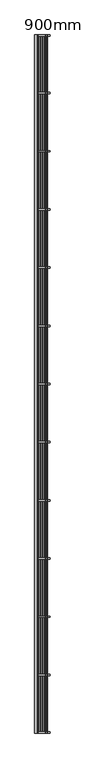
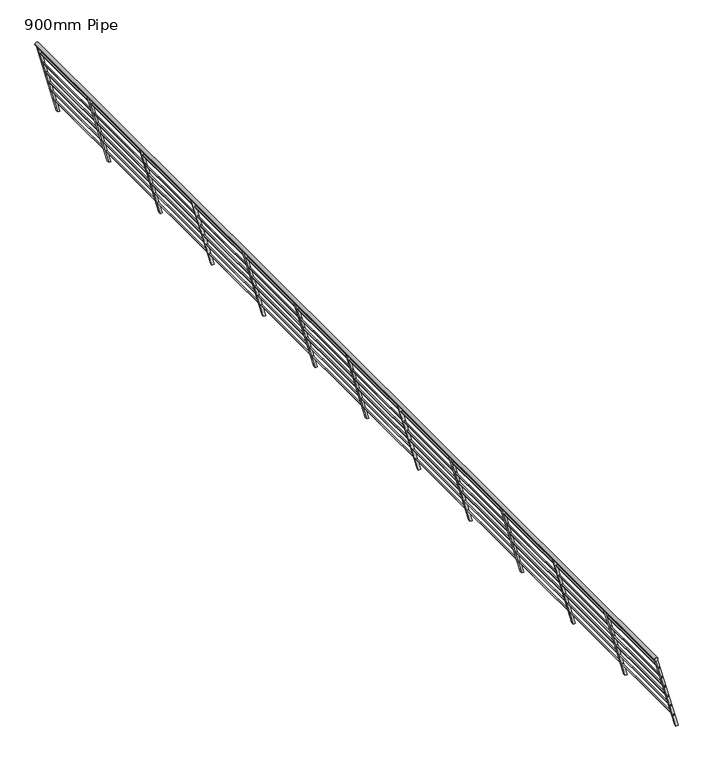
"""IFC4 building model written with IfcOpenShell, lengths in millimetres: railing geometry, 900mm Pipe."""

from ifc_helpers import new_model, si_unit, point, frame, frame_2d, origin, place, context, project, spatial, polyline, circle_curve, trimmed, segment, composite_curve, outline, extrude, source, transform, mapped, element, save


def railing_900mm_pipe_fbbdb6a3(model_context):
    return source(origin(), model_context, "Body", "SweptSolid", [
        extrude(outline(composite_curve([segment(trimmed(circle_curve(frame_2d((880.0, -767.966261)), 20.0), [point((880.0, -747.966261))], [point((880.0, -787.966261))], False, "CARTESIAN"), True, "CONTINUOUS"), segment(trimmed(circle_curve(frame_2d((880.0, -767.966261)), 20.0), [point((880.0, -787.966261))], [point((880.0, -747.966261))], False, "CARTESIAN"), True, "CONTINUOUS")], self_intersect=False)), frame((0.0, -1303.2503008, 0.0), z_axis=(0.0, 1.0, 0.0), x_axis=(0.0, 0.0, 1.0)), (0.0, 0.0, 1.0), 12200.0),
        extrude(outline(composite_curve([segment(trimmed(circle_curve(frame_2d((768.5, -733.966261)), 7.5), [point((768.5, -726.466261))], [point((768.5, -741.466261))], False, "CARTESIAN"), True, "CONTINUOUS"), segment(trimmed(circle_curve(frame_2d((768.5, -733.966261)), 7.5), [point((768.5, -741.466261))], [point((768.5, -726.466261))], False, "CARTESIAN"), True, "CONTINUOUS")], self_intersect=False)), frame((0.0, -1303.2503008, 0.0), z_axis=(0.0, 1.0, 0.0), x_axis=(0.0, 0.0, 1.0)), (0.0, 0.0, 1.0), 12200.0),
        extrude(outline(composite_curve([segment(trimmed(circle_curve(frame_2d((642.5, -702.966261)), 7.5), [point((642.5, -695.466261))], [point((642.5, -710.466261))], False, "CARTESIAN"), True, "CONTINUOUS"), segment(trimmed(circle_curve(frame_2d((642.5, -702.966261)), 7.5), [point((642.5, -710.466261))], [point((642.5, -695.466261))], False, "CARTESIAN"), True, "CONTINUOUS")], self_intersect=False)), frame((0.0, -1303.2503008, 0.0), z_axis=(0.0, 1.0, 0.0), x_axis=(0.0, 0.0, 1.0)), (0.0, 0.0, 1.0), 12200.0),
        extrude(outline(composite_curve([segment(trimmed(circle_curve(frame_2d((517.5, -668.966261)), 7.5), [point((517.5, -661.466261))], [point((517.5, -676.466261))], False, "CARTESIAN"), True, "CONTINUOUS"), segment(trimmed(circle_curve(frame_2d((517.5, -668.966261)), 7.5), [point((517.5, -676.466261))], [point((517.5, -661.466261))], False, "CARTESIAN"), True, "CONTINUOUS")], self_intersect=False)), frame((0.0, -1303.2503008, 0.0), z_axis=(0.0, 1.0, 0.0), x_axis=(0.0, 0.0, 1.0)), (0.0, 0.0, 1.0), 12200.0),
        extrude(outline(composite_curve([segment(trimmed(circle_curve(frame_2d((392.5, -635.966261)), 7.5), [point((392.5, -628.466261))], [point((392.5, -643.466261))], False, "CARTESIAN"), True, "CONTINUOUS"), segment(trimmed(circle_curve(frame_2d((392.5, -635.966261)), 7.5), [point((392.5, -643.466261))], [point((392.5, -628.466261))], False, "CARTESIAN"), True, "CONTINUOUS")], self_intersect=False)), frame((0.0, -1303.2503008, 0.0), z_axis=(0.0, 1.0, 0.0), x_axis=(0.0, 0.0, 1.0)), (0.0, 0.0, 1.0), 12200.0),
        extrude(outline(composite_curve([segment(trimmed(circle_curve(frame_2d((267.5, -601.966261)), 7.5), [point((267.5, -594.466261))], [point((267.5, -609.466261))], False, "CARTESIAN"), True, "CONTINUOUS"), segment(trimmed(circle_curve(frame_2d((267.5, -601.966261)), 7.5), [point((267.5, -609.466261))], [point((267.5, -594.466261))], False, "CARTESIAN"), True, "CONTINUOUS")], self_intersect=False)), frame((0.0, -1303.2503008, 0.0), z_axis=(0.0, 1.0, 0.0), x_axis=(0.0, 0.0, 1.0)), (0.0, 0.0, 1.0), 12200.0),
        extrude(outline(composite_curve([segment(trimmed(circle_curve(frame_2d((142.5, -567.966261)), 7.5), [point((142.5, -560.466261))], [point((142.5, -575.466261))], False, "CARTESIAN"), True, "CONTINUOUS"), segment(trimmed(circle_curve(frame_2d((142.5, -567.966261)), 7.5), [point((142.5, -575.466261))], [point((142.5, -560.466261))], False, "CARTESIAN"), True, "CONTINUOUS")], self_intersect=False)), frame((0.0, -1303.2503008, 0.0), z_axis=(0.0, 1.0, 0.0), x_axis=(0.0, 0.0, 1.0)), (0.0, 0.0, 1.0), 12200.0),
        extrude(outline(polyline([(868.5531556, -751.7534253), (862.0826794, -775.901571), (0.0, -544.9072132), (0.0, -519.0253087), (868.5531556, -751.7534253)])), frame((0.0, -299.0836341, 0.0), z_axis=(0.0, 1.0, 0.0), x_axis=(0.0, 0.0, 1.0)), (0.0, 0.0, 1.0), 25.0),
        extrude(outline(polyline([(868.5531556, -751.7534253), (862.0826794, -775.901571), (0.0, -544.9072132), (0.0, -519.0253087), (868.5531556, -751.7534253)])), frame((0.0, 717.5830326, 0.0), z_axis=(0.0, 1.0, 0.0), x_axis=(0.0, 0.0, 1.0)), (0.0, 0.0, 1.0), 25.0),
        extrude(outline(polyline([(868.5531556, -751.7534253), (862.0826794, -775.901571), (0.0, -544.9072132), (0.0, -519.0253087), (868.5531556, -751.7534253)])), frame((0.0, 1734.2496992, 0.0), z_axis=(0.0, 1.0, 0.0), x_axis=(0.0, 0.0, 1.0)), (0.0, 0.0, 1.0), 25.0),
        extrude(outline(polyline([(868.5531556, -751.7534253), (862.0826794, -775.901571), (0.0, -544.9072132), (0.0, -519.0253087), (868.5531556, -751.7534253)])), frame((0.0, 2750.9163659, 0.0), z_axis=(0.0, 1.0, 0.0), x_axis=(0.0, 0.0, 1.0)), (0.0, 0.0, 1.0), 25.0),
        extrude(outline(polyline([(868.5531556, -751.7534253), (862.0826794, -775.901571), (0.0, -544.9072132), (0.0, -519.0253087), (868.5531556, -751.7534253)])), frame((0.0, 3767.5830326, 0.0), z_axis=(0.0, 1.0, 0.0), x_axis=(0.0, 0.0, 1.0)), (0.0, 0.0, 1.0), 25.0),
        extrude(outline(polyline([(868.5531556, -751.7534253), (862.0826794, -775.901571), (0.0, -544.9072132), (0.0, -519.0253087), (868.5531556, -751.7534253)])), frame((0.0, 4784.2496992, 0.0), z_axis=(0.0, 1.0, 0.0), x_axis=(0.0, 0.0, 1.0)), (0.0, 0.0, 1.0), 25.0),
        extrude(outline(polyline([(868.5531556, -751.7534253), (862.0826794, -775.901571), (0.0, -544.9072132), (0.0, -519.0253087), (868.5531556, -751.7534253)])), frame((0.0, 5800.9163659, 0.0), z_axis=(0.0, 1.0, 0.0), x_axis=(0.0, 0.0, 1.0)), (0.0, 0.0, 1.0), 25.0),
        extrude(outline(polyline([(868.5531556, -751.7534253), (862.0826794, -775.901571), (0.0, -544.9072132), (0.0, -519.0253087), (868.5531556, -751.7534253)])), frame((0.0, 6817.5830326, 0.0), z_axis=(0.0, 1.0, 0.0), x_axis=(0.0, 0.0, 1.0)), (0.0, 0.0, 1.0), 25.0),
        extrude(outline(polyline([(868.5531556, -751.7534253), (862.0826794, -775.901571), (0.0, -544.9072132), (0.0, -519.0253087), (868.5531556, -751.7534253)])), frame((0.0, 7834.2496992, 0.0), z_axis=(0.0, 1.0, 0.0), x_axis=(0.0, 0.0, 1.0)), (0.0, 0.0, 1.0), 25.0),
        extrude(outline(polyline([(868.5531556, -751.7534253), (862.0826794, -775.901571), (0.0, -544.9072132), (0.0, -519.0253087), (868.5531556, -751.7534253)])), frame((0.0, 8850.9163659, 0.0), z_axis=(0.0, 1.0, 0.0), x_axis=(0.0, 0.0, 1.0)), (0.0, 0.0, 1.0), 25.0),
        extrude(outline(polyline([(868.5531556, -751.7534253), (862.0826794, -775.901571), (0.0, -544.9072132), (0.0, -519.0253087), (868.5531556, -751.7534253)])), frame((0.0, 9867.5830326, 0.0), z_axis=(0.0, 1.0, 0.0), x_axis=(0.0, 0.0, 1.0)), (0.0, 0.0, 1.0), 25.0),
        extrude(outline(polyline([(860.0, -775.3435187), (0.0, -544.9072132), (0.0, -519.0253087), (860.0, -749.4616142), (860.0, -775.3435187)])), frame((0.0, -1303.2503008, 0.0), z_axis=(0.0, 1.0, 0.0), x_axis=(0.0, 0.0, 1.0)), (0.0, 0.0, 1.0), 25.0),
        extrude(outline(polyline([(860.0, -775.3435187), (0.0, -544.9072132), (0.0, -519.0253087), (860.0, -749.4616142), (860.0, -775.3435187)])), frame((0.0, 10871.7496992, 0.0), z_axis=(0.0, 1.0, 0.0), x_axis=(0.0, 0.0, 1.0)), (0.0, 0.0, 1.0), 25.0),
    ])


if __name__ == "__main__":
    model = new_model("IFC4")
    model_context = context("Model", 3, world=origin())
    ifc_project = project(units=[si_unit("LENGTHUNIT", "METRE", prefix="MILLI")], contexts=[model_context])
    site = spatial("IfcSite", under=ifc_project)
    building = spatial("IfcBuilding", under=site)
    placement = place(None, origin())
    railing_900mm_pipe_shape = railing_900mm_pipe_fbbdb6a3(model_context)
    element("IfcRailing", 1, ObjectType="900mm Pipe", at=placement, inside=building, context=model_context, shape_type="MappedRepresentation", body=[
        mapped(railing_900mm_pipe_shape, transform((0.0, 0.0, 0.0), x_axis=(1.0, 0.0, 0.0), y_axis=(0.0, 1.0, 0.0), z_axis=(0.0, 0.0, 1.0))),
    ])
    save(model, "model.ifc")
